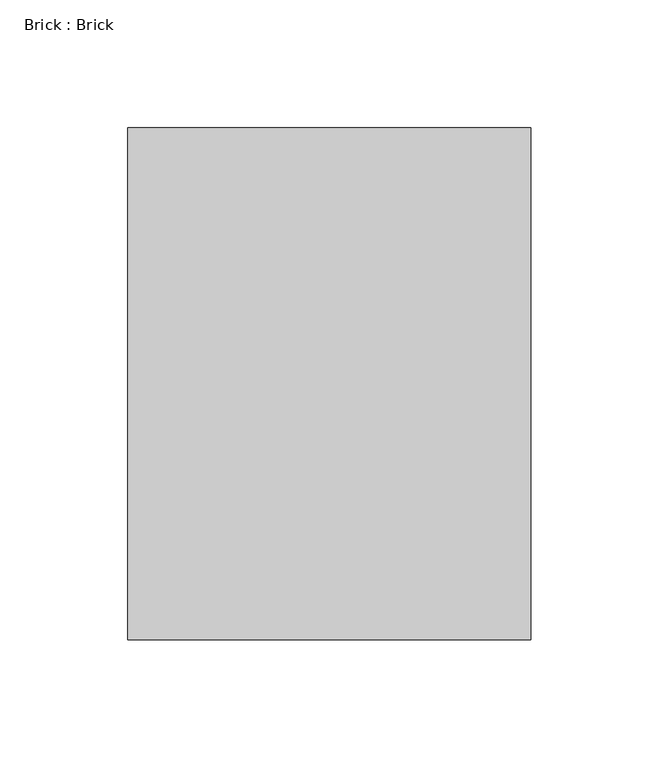
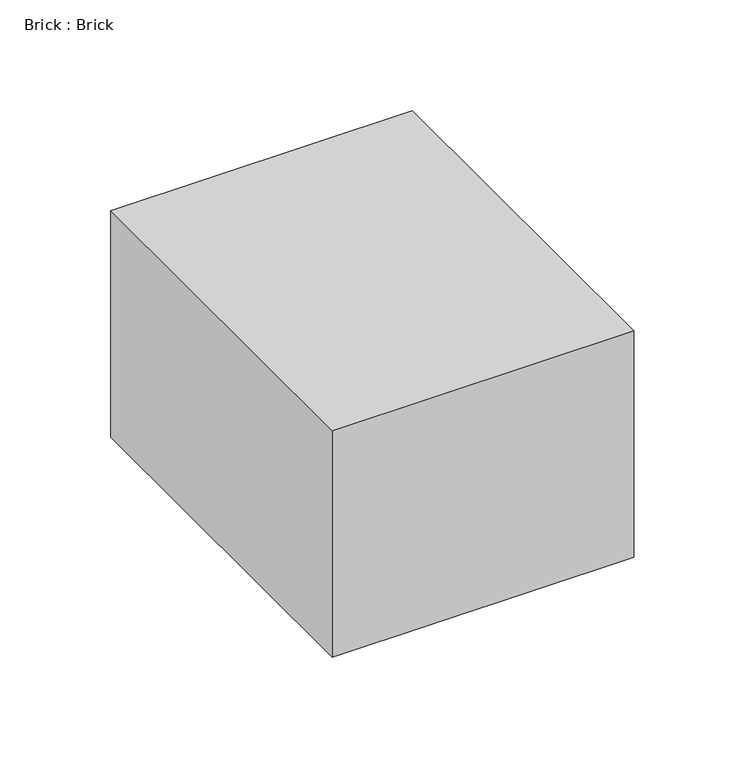
"""IFC4 building model written with IfcOpenShell, lengths in millimetres: proxy geometry, Brick : Brick."""

from ifc_helpers import new_model, si_unit, frame, origin, place, context, project, spatial, polyline, outline, extrude, source, transform, mapped, element, save


def brick_brick_2a3ce914(model_context):
    return source(origin(), model_context, "Body", "SweptSolid", [
        extrude(outline(polyline([(78.7, 100.0), (78.7, -100.0), (-78.7, -100.0), (-78.7, 100.0), (78.7, 100.0)])), frame((0.0, 0.0, -62.5), z_axis=(0.0, 0.0, 1.0), x_axis=(1.0, 0.0, 0.0)), (0.0, 0.0, 1.0), 125.0),
    ])


if __name__ == "__main__":
    model = new_model("IFC4")
    model_context = context("Model", 3, world=origin())
    ifc_project = project(units=[si_unit("LENGTHUNIT", "METRE", prefix="MILLI")], contexts=[model_context])
    site = spatial("IfcSite", under=ifc_project)
    building = spatial("IfcBuilding", under=site)
    placement = place(None, origin())
    brick_brick_shape = brick_brick_2a3ce914(model_context)
    element("IfcBuildingElementProxy", 1, Name="Brick : Brick", ObjectType="Brick : Brick", at=placement, inside=building, context=model_context, shape_type="MappedRepresentation", body=[
        mapped(brick_brick_shape, transform((0.0, 0.0, 0.0), x_axis=(1.0, 0.0, 0.0), y_axis=(0.0, 1.0, 0.0), z_axis=(0.0, 0.0, 1.0))),
    ])
    save(model, "model.ifc")
